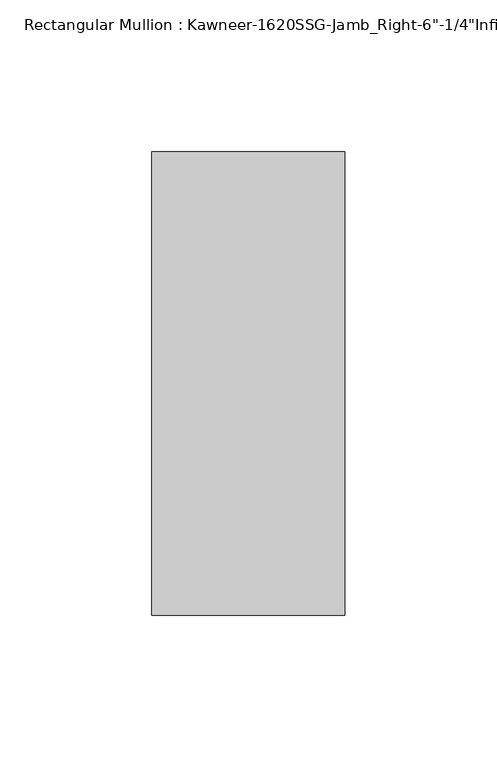
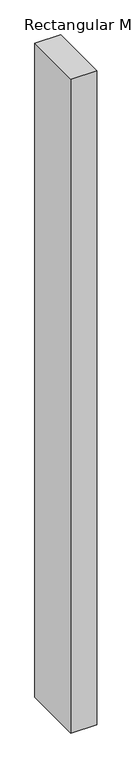
"""IFC4 building model written with IfcOpenShell, lengths in millimetres: member geometry."""

from ifc_helpers import new_model, si_unit, frame, origin, place, context, project, spatial, polyline, outline, extrude, source, transform, mapped, element, save


def member_a1d8af5e(model_context):
    return source(origin(), model_context, "Body", "SweptSolid", [
        extrude(outline(polyline([(-22.225, 28.575), (41.275, 28.575), (41.275, -123.825), (-22.225, -123.825), (-22.225, 28.575)])), frame((0.0, 0.0, -1695.45), z_axis=(0.0, 0.0, 1.0), x_axis=(1.0, 0.0, 0.0)), (0.0, 0.0, 1.0), 1695.45),
    ])


if __name__ == "__main__":
    model = new_model("IFC4")
    model_context = context("Model", 3, world=origin())
    ifc_project = project(units=[si_unit("LENGTHUNIT", "METRE", prefix="MILLI")], contexts=[model_context])
    site = spatial("IfcSite", under=ifc_project)
    building = spatial("IfcBuilding", under=site)
    placement = place(None, origin())
    member_shape = member_a1d8af5e(model_context)
    element("IfcMember", 1, ObjectType="Rectangular Mullion : Kawneer-1620SSG-Jamb_Right-6\"-1/4\"Infill", at=placement, inside=building, context=model_context, shape_type="MappedRepresentation", body=[
        mapped(member_shape, transform((0.0, 0.0, 0.0), x_axis=(1.0, 0.0, 0.0), y_axis=(0.0, 1.0, 0.0), z_axis=(0.0, 0.0, 1.0))),
    ])
    save(model, "model.ifc")
